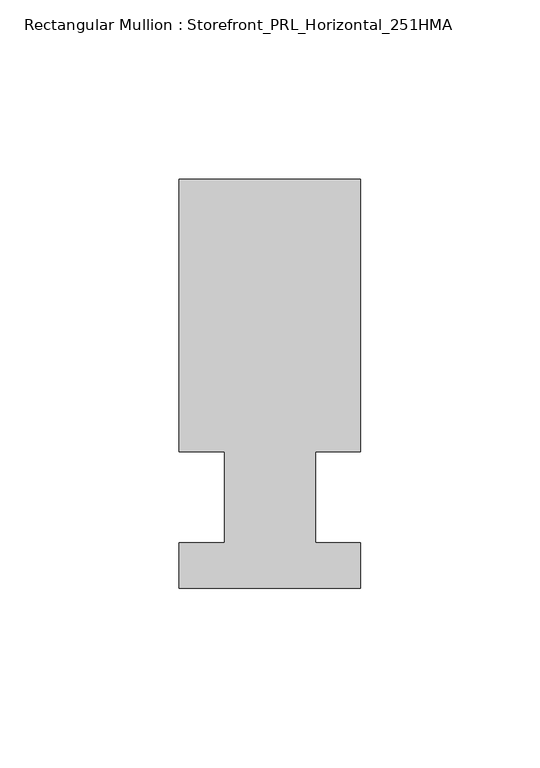
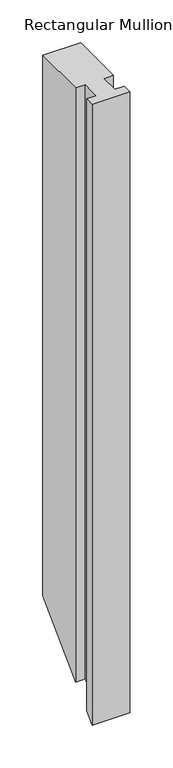
"""IFC4 building model written with IfcOpenShell, lengths in millimetres: member geometry, Rectangular Mullion : Storefront_PRL_Horizontal_251HMA."""

from ifc_helpers import new_model, si_unit, origin, place, context, project, spatial, faceted_brep, source, transform, mapped, element, save


def rectangular_mullion_storefront_prl_horizontal_251hma_5af321b1(model_context):
    return source(origin(), model_context, "Body", "Brep", [
        faceted_brep([(-12.7, 12.7, 0.0), (-12.7, -12.7, 0.0), (-25.4, -12.7, 0.0), (-25.4, -25.4, 0.0), (25.4, -25.4, 0.0), (25.4, -12.7, 0.0), (12.7, -12.7, 0.0), (12.7, 12.7, 0.0), (25.4, 12.7, 0.0), (25.4, 88.9, 0.0), (-25.4, 88.9, 0.0), (-25.4, 12.7, 0.0), (-12.7, 12.7, -844.55), (-12.7, -12.7, -869.95), (-25.4, -12.7, -869.95), (-25.4, -25.4, -882.65), (25.4, -25.4, -882.65), (25.4, -12.7, -869.95), (12.7, -12.7, -869.95), (12.7, 12.7, -844.55), (25.4, 12.7, -844.55), (25.4, 88.9, -768.35), (-25.4, 88.9, -768.35), (-25.4, 12.7, -844.55)], [[[0, 1, 2, 3, 4, 5, 6, 7, 8, 9, 10, 11]], [[1, 0, 12, 13]], [[2, 1, 13, 14]], [[3, 2, 14, 15]], [[4, 3, 15, 16]], [[5, 4, 16, 17]], [[6, 5, 17, 18]], [[7, 6, 18, 19]], [[8, 7, 19, 20]], [[9, 8, 20, 21]], [[10, 9, 21, 22]], [[11, 10, 22, 23]], [[0, 11, 23, 12]], [[12, 23, 22, 21, 20, 19, 18, 17, 16, 15, 14, 13]]]),
    ])


if __name__ == "__main__":
    model = new_model("IFC4")
    model_context = context("Model", 3, world=origin())
    ifc_project = project(units=[si_unit("LENGTHUNIT", "METRE", prefix="MILLI")], contexts=[model_context])
    site = spatial("IfcSite", under=ifc_project)
    building = spatial("IfcBuilding", under=site)
    placement = place(None, origin())
    rectangular_mullion_storefront_prl_horizontal_251hma_shape = rectangular_mullion_storefront_prl_horizontal_251hma_5af321b1(model_context)
    element("IfcMember", 1, ObjectType="Rectangular Mullion : Storefront_PRL_Horizontal_251HMA", at=placement, inside=building, context=model_context, shape_type="MappedRepresentation", body=[
        mapped(rectangular_mullion_storefront_prl_horizontal_251hma_shape, transform((0.0, 0.0, 0.0), x_axis=(1.0, 0.0, 0.0), y_axis=(0.0, 1.0, 0.0), z_axis=(0.0, 0.0, 1.0))),
    ])
    save(model, "model.ifc")
